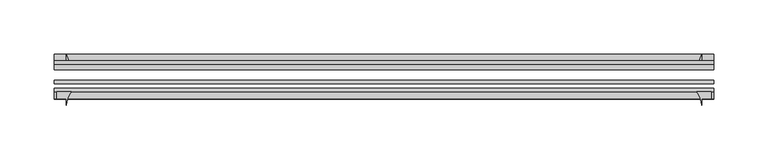
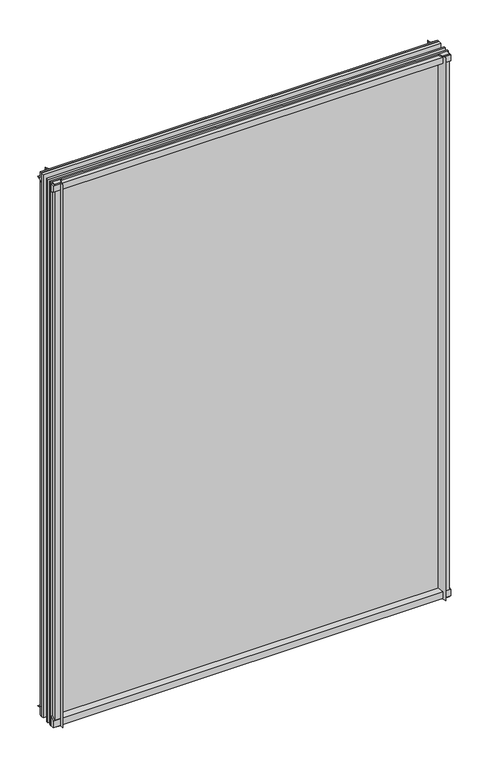
"""IFC4 building model written with IfcOpenShell, lengths in millimetres: plate geometry."""

from ifc_helpers import new_model, si_unit, point, frame, frame_2d, origin, place, context, project, spatial, polyline, circle_curve, trimmed, segment, composite_curve, outline, extrude, source, transform, mapped, element, save


def plate_5c59ea9b(model_context):
    return source(origin(), model_context, "Body", "SweptSolid", [
        extrude(outline(composite_curve([segment(polyline([(-42.891075, -11.1125), (-42.891075, 3.8539528)]), True, "CONTINUOUS"), segment(trimmed(circle_curve(frame_2d((-26.637892, 29.5913262)), 30.4397495), [point((-42.891075, 3.8539528))], [point((-33.7745413, 0.0))], True, "CARTESIAN"), True, "CONTINUOUS"), segment(polyline([(-33.7745413, 0.0), (-39.690675, 0.0), (-39.690675, -11.1125), (-42.891075, -11.1125)]), True, "CONTINUOUS")], self_intersect=False)), frame((-303.2125, 0.0, 0.0), z_axis=(1.0, 0.0, 0.0), x_axis=(0.0, 1.0, 0.0)), (0.0, 0.0, 1.0), 606.425),
        extrude(outline(composite_curve([segment(trimmed(circle_curve(frame_2d((-80.4922797, 17.8701603)), 18.6769817), [point((-74.641075, 0.1333891))], [point((-68.291075, 3.72943))], True, "CARTESIAN"), True, "CONTINUOUS"), segment(polyline([(-68.291075, 3.72943), (-68.291075, -10.3251), (-74.641075, -10.3251), (-74.641075, 0.1333891)]), True, "CONTINUOUS")], self_intersect=False)), frame((-303.2125, 0.0, 0.0), z_axis=(1.0, 0.0, 0.0), x_axis=(0.0, 1.0, 0.0)), (0.0, 0.0, 1.0), 606.425),
        extrude(outline(composite_curve([segment(polyline([(-42.891075, 850.2083472), (-42.891075, 865.1875), (-39.690675, 865.1875), (-39.690675, 854.075), (-33.721675, 854.075)]), True, "CONTINUOUS"), segment(trimmed(circle_curve(frame_2d((-26.637892, 824.4709738)), 30.4397495), [point((-33.721675, 854.075))], [point((-42.891075, 850.2083472))], True, "CARTESIAN"), True, "CONTINUOUS")], self_intersect=False)), frame((-303.2125, 0.0, 0.0), z_axis=(1.0, 0.0, 0.0), x_axis=(0.0, 1.0, 0.0)), (0.0, 0.0, 1.0), 606.425),
        extrude(outline(composite_curve([segment(polyline([(-68.291075, 862.8126), (-68.291075, 849.53912)]), True, "CONTINUOUS"), segment(trimmed(circle_curve(frame_2d((-80.4922797, 835.3983897)), 18.6769817), [point((-68.291075, 849.53912))], [point((-74.641075, 853.1351609))], True, "CARTESIAN"), True, "CONTINUOUS"), segment(polyline([(-74.641075, 853.1351609), (-74.641075, 862.8126), (-68.291075, 862.8126)]), True, "CONTINUOUS")], self_intersect=False)), frame((-303.2125, 0.0, 0.0), z_axis=(1.0, 0.0, 0.0), x_axis=(0.0, 1.0, 0.0)), (0.0, 0.0, 1.0), 606.425),
        extrude(outline(composite_curve([segment(polyline([(287.56412, -68.291075), (300.8376, -68.291075), (300.8376, -74.641075), (292.1, -74.641075), (292.1, -80.3744844)]), True, "CONTINUOUS"), segment(trimmed(circle_curve(frame_2d((273.4233897, -80.4922797)), 18.6769817), [point((292.1, -80.3744844))], [point((287.56412, -68.291075))], True, "CARTESIAN"), True, "CONTINUOUS")], self_intersect=False)), frame((0.0, 0.0, -11.1125), z_axis=(0.0, 0.0, 1.0), x_axis=(1.0, 0.0, 0.0)), (0.0, 0.0, 1.0), 876.3),
        extrude(outline(composite_curve([segment(trimmed(circle_curve(frame_2d((262.4959738, -26.637892)), 30.4397495), [point((288.2333472, -42.891075))], [point((292.1, -33.721675))], True, "CARTESIAN"), True, "CONTINUOUS"), segment(polyline([(292.1, -33.721675), (292.1, -39.690675), (303.2125, -39.690675), (303.2125, -42.891075), (288.2333472, -42.891075)]), True, "CONTINUOUS")], self_intersect=False)), frame((0.0, 0.0, -11.1125), z_axis=(0.0, 0.0, 1.0), x_axis=(1.0, 0.0, 0.0)), (0.0, 0.0, 1.0), 876.3),
        extrude(outline(composite_curve([segment(trimmed(circle_curve(frame_2d((-273.4233897, -80.4922797)), 18.6769817), [point((-287.56412, -68.291075))], [point((-292.1, -80.3744844))], True, "CARTESIAN"), True, "CONTINUOUS"), segment(polyline([(-292.1, -80.3744844), (-292.1, -74.641075), (-300.8376, -74.641075), (-300.8376, -68.291075), (-287.56412, -68.291075)]), True, "CONTINUOUS")], self_intersect=False)), frame((0.0, 0.0, -11.1125), z_axis=(0.0, 0.0, 1.0), x_axis=(1.0, 0.0, 0.0)), (0.0, 0.0, 1.0), 876.3),
        extrude(outline(composite_curve([segment(polyline([(-288.2333472, -42.891075), (-303.2125, -42.891075), (-303.2125, -39.690675), (-292.1, -39.690675), (-292.1, -33.721675)]), True, "CONTINUOUS"), segment(trimmed(circle_curve(frame_2d((-262.4959738, -26.637892)), 30.4397495), [point((-292.1, -33.721675))], [point((-288.2333472, -42.891075))], True, "CARTESIAN"), True, "CONTINUOUS")], self_intersect=False)), frame((0.0, 0.0, -11.1125), z_axis=(0.0, 0.0, 1.0), x_axis=(1.0, 0.0, 0.0)), (0.0, 0.0, 1.0), 876.3),
        extrude(outline(polyline([(-303.2125, -42.891075), (303.2125, -42.891075), (303.2125, -47.653575), (-303.2125, -47.653575), (-303.2125, -42.891075)])), frame((0.0, 0.0, -11.1125), z_axis=(0.0, 0.0, 1.0), x_axis=(1.0, 0.0, 0.0)), (0.0, 0.0, 1.0), 876.3),
        extrude(outline(polyline([(303.2125, -57.369075), (303.2125, -60.544075), (-303.2125, -60.544075), (-303.2125, -57.369075), (303.2125, -57.369075)])), frame((0.0, 0.0, -11.1125), z_axis=(0.0, 0.0, 1.0), x_axis=(1.0, 0.0, 0.0)), (0.0, 0.0, 1.0), 876.3),
        extrude(outline(polyline([(-303.2125, -65.116075), (303.2125, -65.116075), (303.2125, -68.291075), (-303.2125, -68.291075), (-303.2125, -65.116075)])), frame((0.0, 0.0, -11.1125), z_axis=(0.0, 0.0, 1.0), x_axis=(1.0, 0.0, 0.0)), (0.0, 0.0, 1.0), 876.3),
    ])


if __name__ == "__main__":
    model = new_model("IFC4")
    model_context = context("Model", 3, world=origin())
    ifc_project = project(units=[si_unit("LENGTHUNIT", "METRE", prefix="MILLI")], contexts=[model_context])
    site = spatial("IfcSite", under=ifc_project)
    building = spatial("IfcBuilding", under=site)
    placement = place(None, origin())
    plate_shape = plate_5c59ea9b(model_context)
    element("IfcPlate", 1, at=placement, inside=building, context=model_context, shape_type="MappedRepresentation", body=[
        mapped(plate_shape, transform((0.0, 0.0, 0.0), x_axis=(1.0, 0.0, 0.0), y_axis=(0.0, 1.0, 0.0), z_axis=(0.0, 0.0, 1.0))),
    ])
    save(model, "model.ifc")
